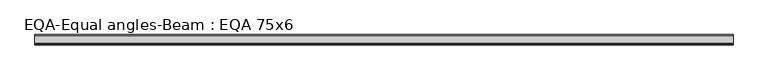
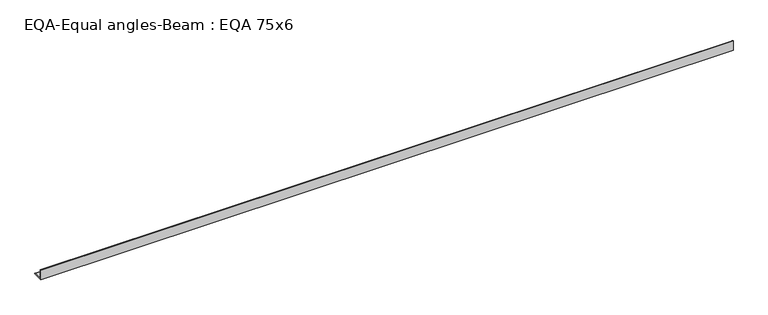
"""IFC4 building model written with IfcOpenShell, lengths in millimetres: beam geometry, EQA-Equal angles-Beam : EQA 75x6."""

from ifc_helpers import new_model, si_unit, point, frame, frame_2d, origin, place, context, project, spatial, polyline, circle_curve, trimmed, segment, composite_curve, outline, extrude, source, transform, mapped, element, save


def eqa_equal_angles_beam_eqa_75x6_e74ce207(model_context):
    return source(origin(), model_context, "Body", "SweptSolid", [
        extrude(outline(composite_curve([segment(polyline([(-20.5, -20.5), (-20.5, 54.5), (-19.0, 54.5)]), True, "CONTINUOUS"), segment(trimmed(circle_curve(frame_2d((-19.0, 50.0)), 4.5), [point((-19.0, 54.5))], [point((-14.5, 50.0))], False, "CARTESIAN"), True, "CONTINUOUS"), segment(polyline([(-14.5, 50.0), (-14.5, -5.5)]), True, "CONTINUOUS"), segment(trimmed(circle_curve(frame_2d((-5.5, -5.5)), 9.0), [point((-14.5, -5.5))], [point((-5.5, -14.5))], True, "CARTESIAN"), True, "CONTINUOUS"), segment(polyline([(-5.5, -14.5), (50.0, -14.5)]), True, "CONTINUOUS"), segment(trimmed(circle_curve(frame_2d((50.0, -19.0)), 4.5), [point((50.0, -14.5))], [point((54.5, -19.0))], False, "CARTESIAN"), True, "CONTINUOUS"), segment(polyline([(54.5, -19.0), (54.5, -20.5), (-20.5, -20.5)]), True, "CONTINUOUS")], self_intersect=False)), frame((-2563.4844424, 0.0, 0.0), z_axis=(1.0, 0.0, 0.0), x_axis=(0.0, 1.0, 0.0)), (0.0, 0.0, 1.0), 5086.0518728),
    ])


if __name__ == "__main__":
    model = new_model("IFC4")
    model_context = context("Model", 3, world=origin())
    ifc_project = project(units=[si_unit("LENGTHUNIT", "METRE", prefix="MILLI")], contexts=[model_context])
    site = spatial("IfcSite", under=ifc_project)
    building = spatial("IfcBuilding", under=site)
    placement = place(None, origin())
    eqa_equal_angles_beam_eqa_75x6_shape = eqa_equal_angles_beam_eqa_75x6_e74ce207(model_context)
    element("IfcBeam", 1, ObjectType="EQA-Equal angles-Beam : EQA 75x6", at=placement, inside=building, context=model_context, shape_type="MappedRepresentation", body=[
        mapped(eqa_equal_angles_beam_eqa_75x6_shape, transform((0.0, 0.0, 0.0), x_axis=(1.0, 0.0, 0.0), y_axis=(0.0, 1.0, 0.0), z_axis=(0.0, 0.0, 1.0))),
    ])
    save(model, "model.ifc")
